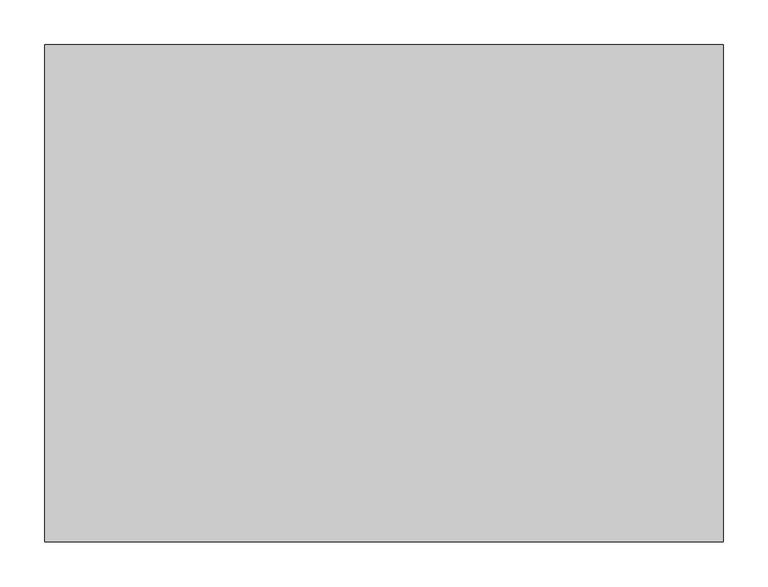
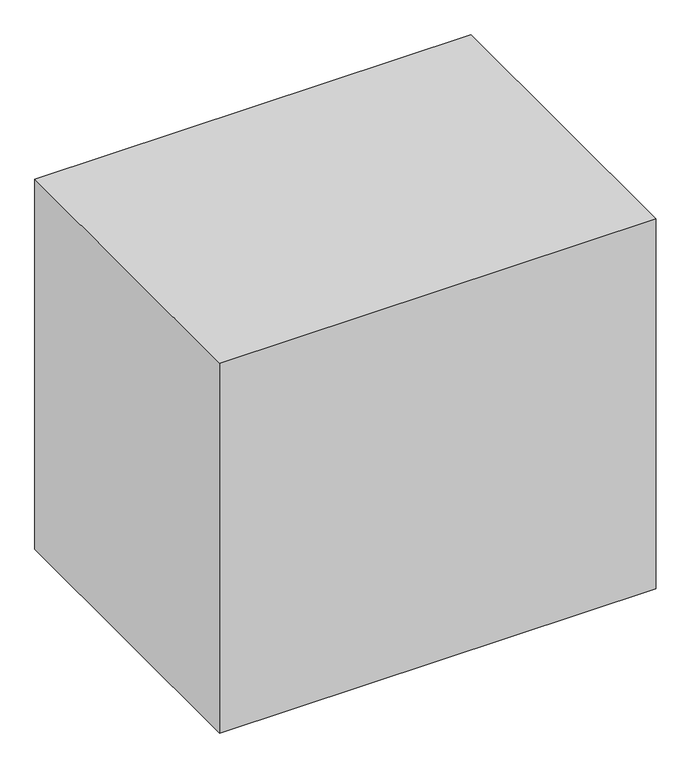
"""IFC4 building model written with IfcOpenShell, lengths in millimetres: furniture geometry."""

import ifcopenshell
import ifcopenshell.guid

model = None  # the IFC model being written
_history = None  # IfcOwnerHistory: only IFC2X3 demands one
_inside = {}  # id of a spatial element -> (the spatial element, [elements in it])
_under = {}  # id of a project, library or spatial element -> (it, [spatial elements below it])
_declared = {}  # id of a project -> (the project, [libraries it declares])
_typed = {}  # id of a type object -> (the type object, [elements of that type])
_made_of = {}  # id of a material, layer set ... -> (it, [elements and type objects made of it])


def new_model(schema):
    """Start an empty IFC model of exactly this schema.

    Asked for "IFC4X3", IfcOpenShell would pick the latest addendum, in which some entities
    have other attributes; the version numbers below select the first issue.
    IFC2X3 requires an IfcOwnerHistory on every rooted entity: one is made here for all.
    """
    global model, _history
    if schema == "IFC4X3":
        model = ifcopenshell.file(schema_version=(4, 3, 0, 0))
    else:
        model = ifcopenshell.file(schema=schema)
    _inside.clear()
    _under.clear()
    _declared.clear()
    _typed.clear()
    _made_of.clear()
    _history = None
    if model.schema == "IFC2X3":
        org = make("IfcOrganization", Name="unknown")
        user = make(
            "IfcPersonAndOrganization",
            ThePerson=make("IfcPerson", FamilyName="unknown"),
            TheOrganization=org,
        )
        app = make(
            "IfcApplication",
            ApplicationDeveloper=org,
            Version="unknown",
            ApplicationFullName="unknown",
            ApplicationIdentifier="unknown",
        )
        _history = make(
            "IfcOwnerHistory",
            OwningUser=user,
            OwningApplication=app,
            ChangeAction="ADDED",
            CreationDate=0,
        )
    return model


def make(cls, **values):
    """One entity of the class cls with the attributes given. An attribute that is None is left unset."""
    return model.create_entity(
        cls, **{name: value for name, value in values.items() if value is not None}
    )


def rooted(cls, **values):
    """An entity with a GlobalId (a new one), such as an element, a storey or a relation."""
    return make(cls, GlobalId=ifcopenshell.guid.new(), OwnerHistory=_history, **values)


def si_unit(unit_type, name, prefix=None):
    """IfcSIUnit, for example si_unit("LENGTHUNIT", "METRE", prefix="MILLI")."""
    return make("IfcSIUnit", UnitType=unit_type, Prefix=prefix, Name=name)


def assignment(units):
    """IfcUnitAssignment: the units of a project."""
    return None if units is None else make("IfcUnitAssignment", Units=units)


def point(xyz):
    """IfcCartesianPoint."""
    return None if xyz is None else make("IfcCartesianPoint", Coordinates=xyz)


def direction(xyz):
    """IfcDirection."""
    return None if xyz is None else make("IfcDirection", DirectionRatios=xyz)


def frame(location, z_axis=None, x_axis=None):
    """IfcAxis2Placement3D, a coordinate frame: its origin and axes. An axis left out is left unset."""
    return make(
        "IfcAxis2Placement3D",
        Location=point(location),
        Axis=direction(z_axis),
        RefDirection=direction(x_axis),
    )


def origin():
    """The frame at (0, 0, 0) with its axes left unset."""
    return frame((0.0, 0.0, 0.0))


def place(relative_to, where):
    """IfcLocalPlacement: puts the frame where relative to a parent placement (None: the world)."""
    return make(
        "IfcLocalPlacement", PlacementRelTo=relative_to, RelativePlacement=where
    )


def context(
    kind, dimensions, precision=None, world=None, true_north=None, identifier=None
):
    """IfcGeometricRepresentationContext, for example the 3D "Model" context."""
    return make(
        "IfcGeometricRepresentationContext",
        ContextIdentifier=identifier,
        ContextType=kind,
        CoordinateSpaceDimension=dimensions,
        Precision=precision,
        WorldCoordinateSystem=world,
        TrueNorth=true_north,
    )


def project(units=None, contexts=None):
    """IfcProject with its units and contexts."""
    return rooted(
        "IfcProject",
        Name="project",
        RepresentationContexts=contexts,
        UnitsInContext=assignment(units),
    )


def spatial(cls, under=None, at=None, **own):
    """A site, building, storey or space (cls), placed at a placement, below another one or the project."""
    s = rooted(cls, ObjectPlacement=at, **own)
    if under is not None:
        _under.setdefault(under.id(), (under, []))[1].append(s)
    return s


def polyline(points):
    """IfcPolyline through the points."""
    return make("IfcPolyline", Points=[point(p) for p in points])


def outline(outer, holes=None, kind="AREA"):
    """IfcArbitraryClosedProfileDef: a profile drawn as a closed curve; with holes, ...WithVoids."""
    if holes is None:
        return make("IfcArbitraryClosedProfileDef", ProfileType=kind, OuterCurve=outer)
    return make(
        "IfcArbitraryProfileDefWithVoids",
        ProfileType=kind,
        OuterCurve=outer,
        InnerCurves=holes,
    )


def extrude(swept, where, along, depth):
    """IfcExtrudedAreaSolid: the profile swept, set in the frame where, extruded along a direction by depth."""
    return make(
        "IfcExtrudedAreaSolid",
        SweptArea=swept,
        Position=where,
        ExtrudedDirection=direction(along),
        Depth=depth,
    )


def shape(context_of_items, identifier, shape_type, items):
    """IfcShapeRepresentation: the items that make up one representation, for example the "Body"."""
    return make(
        "IfcShapeRepresentation",
        ContextOfItems=context_of_items,
        RepresentationIdentifier=identifier,
        RepresentationType=shape_type,
        Items=items,
    )


def source(mapping_origin, context_of_items, identifier, shape_type, items):
    """IfcRepresentationMap: a shape defined once, which mapped items show again and again."""
    return make(
        "IfcRepresentationMap",
        MappingOrigin=mapping_origin,
        MappedRepresentation=shape(context_of_items, identifier, shape_type, items),
    )


def transform(
    local_origin,
    x_axis=None,
    y_axis=None,
    z_axis=None,
    scale=None,
    scale2=None,
    scale3=None,
    uniform=True,
):
    """IfcCartesianTransformationOperator3D, or its non-uniform kind. x_axis, y_axis, z_axis: its Axis1, 2, 3."""
    if uniform:
        return make(
            "IfcCartesianTransformationOperator3D",
            Axis1=direction(x_axis),
            Axis2=direction(y_axis),
            LocalOrigin=point(local_origin),
            Scale=scale,
            Axis3=direction(z_axis),
        )
    return make(
        "IfcCartesianTransformationOperator3DnonUniform",
        Axis1=direction(x_axis),
        Axis2=direction(y_axis),
        LocalOrigin=point(local_origin),
        Scale=scale,
        Axis3=direction(z_axis),
        Scale2=scale2,
        Scale3=scale3,
    )


def mapped(mapping_source, mapping_target):
    """IfcMappedItem: shows the shape of a source again, moved by a transform."""
    return make(
        "IfcMappedItem", MappingSource=mapping_source, MappingTarget=mapping_target
    )


def made_of(thing, what):
    """Note that an element or type object is made of a material, layer set ...; save() writes the relation."""
    if what is not None:
        _made_of.setdefault(what.id(), (what, []))[1].append(thing)
    return thing


def element(
    cls,
    number,
    at=None,
    inside=None,
    cuts=None,
    type_object=None,
    material=None,
    context=None,
    identifier="Body",
    shape_type=None,
    held_by="IfcProductDefinitionShape",
    body=None,
    shapes=None,
    **own,
):
    """One element of the class cls, such as IfcWall. Its Tag is "e" and its number.

    at: its placement. inside: the storey or other place that contains it. cuts: it is an
    opening in that element (IfcRelVoidsElement). A single representation is given by context,
    identifier, shape_type and body (its items); several are given by shapes. held_by: the class
    of the entity that holds the representations. save() writes the other relations.
    """
    e = rooted(cls, Tag="e%d" % number, ObjectPlacement=at, **own)
    if body is not None:
        shapes = [shape(context, identifier, shape_type, body)]
    if shapes is not None:
        e.Representation = make(held_by, Representations=shapes)
    if inside is not None:
        _inside.setdefault(inside.id(), (inside, []))[1].append(e)
    if cuts is not None:
        rooted(
            "IfcRelVoidsElement", RelatingBuildingElement=cuts, RelatedOpeningElement=e
        )
    if type_object is not None:
        _typed.setdefault(type_object.id(), (type_object, []))[1].append(e)
    return made_of(e, material)


def aggregate(whole, parts):
    """IfcRelAggregates: a whole, such as a stair, and the parts it consists of."""
    return rooted("IfcRelAggregates", RelatingObject=whole, RelatedObjects=parts)


def save(model, path):
    """Write the relations noted so far, then the file.

    IfcRelAggregates (storeys below a building ...), IfcRelContainedInSpatialStructure (elements
    in a storey), IfcRelDefinesByType, IfcRelAssociatesMaterial and IfcRelDeclares: one each for
    every whole, place, type object, material and project.
    """
    for whole, parts in _under.values():
        aggregate(whole, parts)
    for where, things in _inside.values():
        rooted(
            "IfcRelContainedInSpatialStructure",
            RelatedElements=things,
            RelatingStructure=where,
        )
    for kind, things in _typed.values():
        rooted("IfcRelDefinesByType", RelatedObjects=things, RelatingType=kind)
    for what, things in _made_of.values():
        rooted("IfcRelAssociatesMaterial", RelatedObjects=things, RelatingMaterial=what)
    for by, libraries in _declared.values():
        rooted("IfcRelDeclares", RelatingContext=by, RelatedDefinitions=libraries)
    model.write(path)


def furniture_5114cd9a(model_context):
    return source(origin(), model_context, "Body", "SweptSolid", [
        extrude(outline(polyline([(-209.8622951, -406.4), (-971.8622951, -406.4), (-971.8622951, 152.4), (-209.8622951, 152.4), (-209.8622951, -406.4)])), frame((0.0, 0.0, 101.6006878), z_axis=(0.0, 0.0, 1.0), x_axis=(1.0, 0.0, 0.0)), (0.0, 0.0, 1.0), 682.7177754),
    ])


if __name__ == "__main__":
    model = new_model("IFC4")
    model_context = context("Model", 3, world=origin())
    ifc_project = project(units=[si_unit("LENGTHUNIT", "METRE", prefix="MILLI")], contexts=[model_context])
    site = spatial("IfcSite", under=ifc_project)
    building = spatial("IfcBuilding", under=site)
    placement = place(None, origin())
    furniture_shape = furniture_5114cd9a(model_context)
    element("IfcFurniture", 1, at=placement, inside=building, context=model_context, shape_type="MappedRepresentation", body=[
        mapped(furniture_shape, transform((0.0, 0.0, 0.0), x_axis=(1.0, 0.0, 0.0), y_axis=(0.0, 1.0, 0.0), z_axis=(0.0, 0.0, 1.0))),
    ])
    save(model, "model.ifc")
